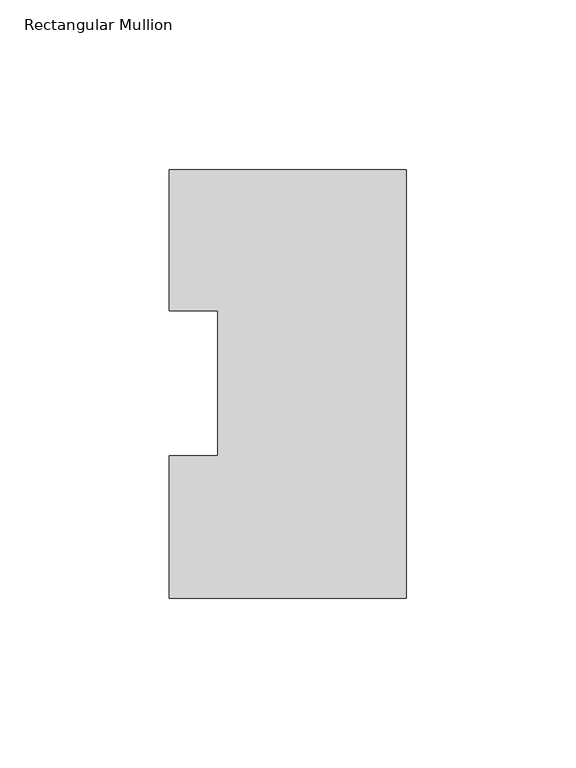
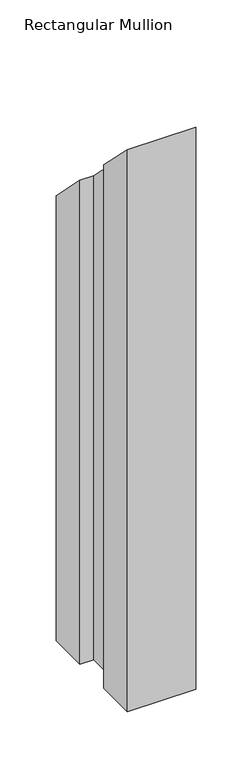
"""IFC4 building model written with IfcOpenShell, lengths in millimetres: member geometry, Rectangular Mullion."""

import ifcopenshell
import ifcopenshell.guid

model = None  # the IFC model being written
_history = None  # IfcOwnerHistory: only IFC2X3 demands one
_inside = {}  # id of a spatial element -> (the spatial element, [elements in it])
_under = {}  # id of a project, library or spatial element -> (it, [spatial elements below it])
_declared = {}  # id of a project -> (the project, [libraries it declares])
_typed = {}  # id of a type object -> (the type object, [elements of that type])
_made_of = {}  # id of a material, layer set ... -> (it, [elements and type objects made of it])


def new_model(schema):
    """Start an empty IFC model of exactly this schema.

    Asked for "IFC4X3", IfcOpenShell would pick the latest addendum, in which some entities
    have other attributes; the version numbers below select the first issue.
    IFC2X3 requires an IfcOwnerHistory on every rooted entity: one is made here for all.
    """
    global model, _history
    if schema == "IFC4X3":
        model = ifcopenshell.file(schema_version=(4, 3, 0, 0))
    else:
        model = ifcopenshell.file(schema=schema)
    _inside.clear()
    _under.clear()
    _declared.clear()
    _typed.clear()
    _made_of.clear()
    _history = None
    if model.schema == "IFC2X3":
        org = make("IfcOrganization", Name="unknown")
        user = make(
            "IfcPersonAndOrganization",
            ThePerson=make("IfcPerson", FamilyName="unknown"),
            TheOrganization=org,
        )
        app = make(
            "IfcApplication",
            ApplicationDeveloper=org,
            Version="unknown",
            ApplicationFullName="unknown",
            ApplicationIdentifier="unknown",
        )
        _history = make(
            "IfcOwnerHistory",
            OwningUser=user,
            OwningApplication=app,
            ChangeAction="ADDED",
            CreationDate=0,
        )
    return model


def make(cls, **values):
    """One entity of the class cls with the attributes given. An attribute that is None is left unset."""
    return model.create_entity(
        cls, **{name: value for name, value in values.items() if value is not None}
    )


def rooted(cls, **values):
    """An entity with a GlobalId (a new one), such as an element, a storey or a relation."""
    return make(cls, GlobalId=ifcopenshell.guid.new(), OwnerHistory=_history, **values)


def si_unit(unit_type, name, prefix=None):
    """IfcSIUnit, for example si_unit("LENGTHUNIT", "METRE", prefix="MILLI")."""
    return make("IfcSIUnit", UnitType=unit_type, Prefix=prefix, Name=name)


def assignment(units):
    """IfcUnitAssignment: the units of a project."""
    return None if units is None else make("IfcUnitAssignment", Units=units)


def point(xyz):
    """IfcCartesianPoint."""
    return None if xyz is None else make("IfcCartesianPoint", Coordinates=xyz)


def direction(xyz):
    """IfcDirection."""
    return None if xyz is None else make("IfcDirection", DirectionRatios=xyz)


def frame(location, z_axis=None, x_axis=None):
    """IfcAxis2Placement3D, a coordinate frame: its origin and axes. An axis left out is left unset."""
    return make(
        "IfcAxis2Placement3D",
        Location=point(location),
        Axis=direction(z_axis),
        RefDirection=direction(x_axis),
    )


def origin():
    """The frame at (0, 0, 0) with its axes left unset."""
    return frame((0.0, 0.0, 0.0))


def place(relative_to, where):
    """IfcLocalPlacement: puts the frame where relative to a parent placement (None: the world)."""
    return make(
        "IfcLocalPlacement", PlacementRelTo=relative_to, RelativePlacement=where
    )


def context(
    kind, dimensions, precision=None, world=None, true_north=None, identifier=None
):
    """IfcGeometricRepresentationContext, for example the 3D "Model" context."""
    return make(
        "IfcGeometricRepresentationContext",
        ContextIdentifier=identifier,
        ContextType=kind,
        CoordinateSpaceDimension=dimensions,
        Precision=precision,
        WorldCoordinateSystem=world,
        TrueNorth=true_north,
    )


def project(units=None, contexts=None):
    """IfcProject with its units and contexts."""
    return rooted(
        "IfcProject",
        Name="project",
        RepresentationContexts=contexts,
        UnitsInContext=assignment(units),
    )


def spatial(cls, under=None, at=None, **own):
    """A site, building, storey or space (cls), placed at a placement, below another one or the project."""
    s = rooted(cls, ObjectPlacement=at, **own)
    if under is not None:
        _under.setdefault(under.id(), (under, []))[1].append(s)
    return s


def faces_of(points, faces, orient=None, outer=None):
    """IfcFace entities. A face is a list of loops; a loop is a list of indices into points, from 0.

    orient and outer hold one flag for each loop. By default every Orientation is true, the
    first loop of a face is its IfcFaceOuterBound and the others are IfcFaceBound.
    """
    made = []
    for i, loops in enumerate(faces):
        bounds = []
        for j, loop in enumerate(loops):
            is_outer = j == 0 if outer is None else outer[i][j]
            bounds.append(
                make(
                    "IfcFaceOuterBound" if is_outer else "IfcFaceBound",
                    Bound=make("IfcPolyLoop", Polygon=[points[k] for k in loop]),
                    Orientation=True if orient is None else orient[i][j],
                )
            )
        made.append(make("IfcFace", Bounds=bounds))
    return made


def faceted_brep(points, faces, orient=None, outer=None, voids=None):
    """IfcFacetedBrep: a solid bounded by flat faces; with voids (closed shells), ...WithVoids."""
    shared = [point(p) for p in points]
    hull = make("IfcClosedShell", CfsFaces=faces_of(shared, faces, orient, outer))
    if voids is None:
        return make("IfcFacetedBrep", Outer=hull)
    return make(
        "IfcFacetedBrepWithVoids",
        Outer=hull,
        Voids=[
            make(cls, CfsFaces=faces_of(shared, fs, o, b)) for cls, fs, o, b in voids
        ],
    )


def shape(context_of_items, identifier, shape_type, items):
    """IfcShapeRepresentation: the items that make up one representation, for example the "Body"."""
    return make(
        "IfcShapeRepresentation",
        ContextOfItems=context_of_items,
        RepresentationIdentifier=identifier,
        RepresentationType=shape_type,
        Items=items,
    )


def source(mapping_origin, context_of_items, identifier, shape_type, items):
    """IfcRepresentationMap: a shape defined once, which mapped items show again and again."""
    return make(
        "IfcRepresentationMap",
        MappingOrigin=mapping_origin,
        MappedRepresentation=shape(context_of_items, identifier, shape_type, items),
    )


def transform(
    local_origin,
    x_axis=None,
    y_axis=None,
    z_axis=None,
    scale=None,
    scale2=None,
    scale3=None,
    uniform=True,
):
    """IfcCartesianTransformationOperator3D, or its non-uniform kind. x_axis, y_axis, z_axis: its Axis1, 2, 3."""
    if uniform:
        return make(
            "IfcCartesianTransformationOperator3D",
            Axis1=direction(x_axis),
            Axis2=direction(y_axis),
            LocalOrigin=point(local_origin),
            Scale=scale,
            Axis3=direction(z_axis),
        )
    return make(
        "IfcCartesianTransformationOperator3DnonUniform",
        Axis1=direction(x_axis),
        Axis2=direction(y_axis),
        LocalOrigin=point(local_origin),
        Scale=scale,
        Axis3=direction(z_axis),
        Scale2=scale2,
        Scale3=scale3,
    )


def mapped(mapping_source, mapping_target):
    """IfcMappedItem: shows the shape of a source again, moved by a transform."""
    return make(
        "IfcMappedItem", MappingSource=mapping_source, MappingTarget=mapping_target
    )


def made_of(thing, what):
    """Note that an element or type object is made of a material, layer set ...; save() writes the relation."""
    if what is not None:
        _made_of.setdefault(what.id(), (what, []))[1].append(thing)
    return thing


def element(
    cls,
    number,
    at=None,
    inside=None,
    cuts=None,
    type_object=None,
    material=None,
    context=None,
    identifier="Body",
    shape_type=None,
    held_by="IfcProductDefinitionShape",
    body=None,
    shapes=None,
    **own,
):
    """One element of the class cls, such as IfcWall. Its Tag is "e" and its number.

    at: its placement. inside: the storey or other place that contains it. cuts: it is an
    opening in that element (IfcRelVoidsElement). A single representation is given by context,
    identifier, shape_type and body (its items); several are given by shapes. held_by: the class
    of the entity that holds the representations. save() writes the other relations.
    """
    e = rooted(cls, Tag="e%d" % number, ObjectPlacement=at, **own)
    if body is not None:
        shapes = [shape(context, identifier, shape_type, body)]
    if shapes is not None:
        e.Representation = make(held_by, Representations=shapes)
    if inside is not None:
        _inside.setdefault(inside.id(), (inside, []))[1].append(e)
    if cuts is not None:
        rooted(
            "IfcRelVoidsElement", RelatingBuildingElement=cuts, RelatedOpeningElement=e
        )
    if type_object is not None:
        _typed.setdefault(type_object.id(), (type_object, []))[1].append(e)
    return made_of(e, material)


def aggregate(whole, parts):
    """IfcRelAggregates: a whole, such as a stair, and the parts it consists of."""
    return rooted("IfcRelAggregates", RelatingObject=whole, RelatedObjects=parts)


def save(model, path):
    """Write the relations noted so far, then the file.

    IfcRelAggregates (storeys below a building ...), IfcRelContainedInSpatialStructure (elements
    in a storey), IfcRelDefinesByType, IfcRelAssociatesMaterial and IfcRelDeclares: one each for
    every whole, place, type object, material and project.
    """
    for whole, parts in _under.values():
        aggregate(whole, parts)
    for where, things in _inside.values():
        rooted(
            "IfcRelContainedInSpatialStructure",
            RelatedElements=things,
            RelatingStructure=where,
        )
    for kind, things in _typed.values():
        rooted("IfcRelDefinesByType", RelatedObjects=things, RelatingType=kind)
    for what, things in _made_of.values():
        rooted("IfcRelAssociatesMaterial", RelatedObjects=things, RelatingMaterial=what)
    for by, libraries in _declared.values():
        rooted("IfcRelDeclares", RelatingContext=by, RelatedDefinitions=libraries)
    model.write(path)


def rectangular_mullion_8f4b32ad(model_context):
    return source(origin(), model_context, "Body", "Brep", [
        faceted_brep([(-69.85, 0.04445, -609.56825), (-69.85, 42.08145, -609.56825), (-55.5625, 42.08145, -609.56825), (-55.5625, 84.93125, -609.56825), (-69.85, 84.93125, -609.56825), (-69.85, 126.53645, -609.56825), (0.0, 126.53645, -609.56825), (0.0, 0.04445, -609.56825), (-55.5625, 42.08145, -42.08145), (-55.5625, 84.93125, -84.93125), (-69.85, 84.93125, -84.93125), (-69.85, 126.53645, -126.53645), (0.0, 126.53645, -126.53645), (0.0, 0.04445, -0.04445), (-69.85, 42.08145, -42.08145), (-69.85, 0.04445, -0.04445)], [[[0, 1, 2, 3, 4, 5, 6, 7]], [[8, 9, 3, 2]], [[9, 10, 4, 3]], [[10, 11, 5, 4]], [[11, 12, 6, 5]], [[12, 13, 7, 6]], [[14, 8, 2, 1]], [[13, 15, 0, 7]], [[15, 14, 1, 0]], [[15, 13, 12, 11, 10, 9, 8, 14]]]),
    ])


if __name__ == "__main__":
    model = new_model("IFC4")
    model_context = context("Model", 3, world=origin())
    ifc_project = project(units=[si_unit("LENGTHUNIT", "METRE", prefix="MILLI")], contexts=[model_context])
    site = spatial("IfcSite", under=ifc_project)
    building = spatial("IfcBuilding", under=site)
    placement = place(None, origin())
    rectangular_mullion_shape = rectangular_mullion_8f4b32ad(model_context)
    element("IfcMember", 1, ObjectType="Rectangular Mullion", at=placement, inside=building, context=model_context, shape_type="MappedRepresentation", body=[
        mapped(rectangular_mullion_shape, transform((0.0, 0.0, 0.0), x_axis=(1.0, 0.0, 0.0), y_axis=(0.0, 1.0, 0.0), z_axis=(0.0, 0.0, 1.0))),
    ])
    save(model, "model.ifc")
